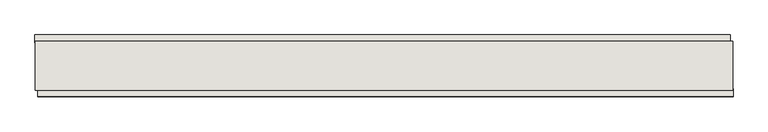
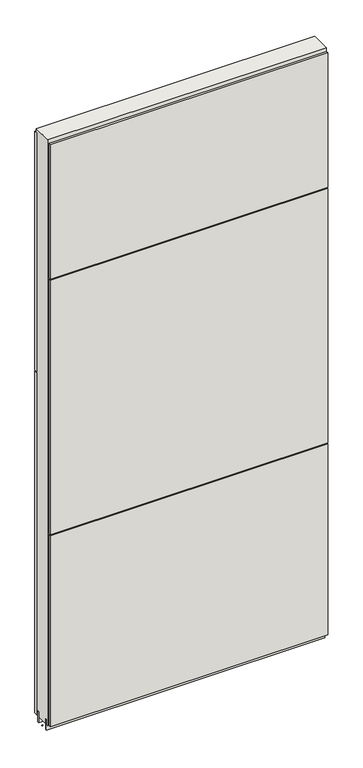
"""IFC4 building model written with IfcOpenShell, lengths in millimetres: wall geometry."""

from ifc_helpers import new_model, si_unit, frame, origin, place, context, project, spatial, polyline, outline, extrude, source, transform, mapped, element, save


def wall_d360cbdd(model_context):
    return source(origin(), model_context, "Body", "SweptSolid", [
        extrude(outline(polyline([(40511.7275108, -50694.3245954), (40509.1875108, -50694.3245954), (40509.1875108, -50691.7845954), (40511.7275108, -50691.7845954), (40511.7275108, -50694.3245954)])), frame((0.0, 0.0, 4419.6), z_axis=(0.0, 0.0, 1.0), x_axis=(1.0, 0.0, 0.0)), (0.0, 0.0, 1.0), 2.54),
        extrude(outline(polyline([(40508.7206969, -50642.2545954), (41656.6143879, -50642.2545954), (41656.6143879, -50654.9545954), (40508.7206969, -50654.9545954), (40508.7206969, -50642.2545954)])), frame((0.0, 0.0, 5945.599869), z_axis=(0.0, 0.0, 1.0), x_axis=(1.0, 0.0, 0.0)), (0.0, 0.0, 1.0), 1044.449905),
        extrude(outline(polyline([(40508.7206969, -50642.2545954), (41656.6143879, -50642.2545954), (41656.6143879, -50654.9545954), (40508.7206969, -50654.9545954), (40508.7206969, -50642.2545954)])), frame((0.0, 0.0, 4445.0), z_axis=(0.0, 0.0, 1.0), x_axis=(1.0, 0.0, 0.0)), (0.0, 0.0, 1.0), 1496.600004),
        extrude(outline(polyline([(41661.5443247, -50743.8545954), (40513.6506337, -50743.8545954), (40513.6506337, -50731.1545954), (41661.5443247, -50731.1545954), (41661.5443247, -50743.8545954)])), frame((0.0, 0.0, 6402.8000722), z_axis=(0.0, 0.0, 1.0), x_axis=(1.0, 0.0, 0.0)), (0.0, 0.0, 1.0), 587.2498034),
        extrude(outline(polyline([(41661.5443247, -50743.8545954), (40513.6506337, -50743.8545954), (40513.6506337, -50731.1545954), (41661.5443247, -50731.1545954), (41661.5443247, -50743.8545954)])), frame((0.0, 0.0, 5285.2000722), z_axis=(0.0, 0.0, 1.0), x_axis=(1.0, 0.0, 0.0)), (0.0, 0.0, 1.0), 1113.5999572),
        extrude(outline(polyline([(41661.5443247, -50743.8545954), (40513.6506337, -50743.8545954), (40513.6506337, -50731.1545954), (41661.5443247, -50731.1545954), (41661.5443247, -50743.8545954)])), frame((0.0, 0.0, 4445.0), z_axis=(0.0, 0.0, 1.0), x_axis=(1.0, 0.0, 0.0)), (0.0, 0.0, 1.0), 836.200004),
        extrude(outline(polyline([(41661.0787554, -50667.9708508), (40509.1893904, -50667.9708508), (40509.1893904, -50662.8920954), (41661.0787554, -50662.8920954), (41661.0787554, -50667.9708508)])), frame((0.0, 0.0, 4418.6602), z_axis=(0.0, 0.0, 1.0), x_axis=(1.0, 0.0, 0.0)), (0.0, 0.0, 1.0), 47.625),
        extrude(outline(polyline([(41661.0787554, -50667.9708508), (40509.1893904, -50667.9708508), (40509.1893904, -50662.8920954), (41661.0787554, -50662.8920954), (41661.0787554, -50667.9708508)])), frame((0.0, 0.0, 4418.6602), z_axis=(0.0, 0.0, 1.0), x_axis=(1.0, 0.0, 0.0)), (0.0, 0.0, 1.0), 47.625),
        extrude(outline(polyline([(40509.1893904, -50718.1352412), (41661.0787554, -50718.1352412), (41661.0787554, -50723.2170954), (40509.1893904, -50723.2170954), (40509.1893904, -50718.1352412)])), frame((0.0, 0.0, 4418.6602), z_axis=(0.0, 0.0, 1.0), x_axis=(1.0, 0.0, 0.0)), (0.0, 0.0, 1.0), 47.625),
        extrude(outline(polyline([(40509.1893904, -50718.1352412), (41661.0787554, -50718.1352412), (41661.0787554, -50723.2170954), (40509.1893904, -50723.2170954), (40509.1893904, -50718.1352412)])), frame((0.0, 0.0, 4418.6602), z_axis=(0.0, 0.0, 1.0), x_axis=(1.0, 0.0, 0.0)), (0.0, 0.0, 1.0), 47.625),
        extrude(outline(polyline([(41661.0787554, -50652.4245014), (41661.0787554, -50733.706381), (40509.1893904, -50733.706381), (40509.1893904, -50652.4245014), (41661.0787554, -50652.4245014)])), frame((0.0, 0.0, 4445.0), z_axis=(0.0, 0.0, 1.0), x_axis=(1.0, 0.0, 0.0)), (0.0, 0.0, 1.0), 2562.4536762),
    ])


if __name__ == "__main__":
    model = new_model("IFC4")
    model_context = context("Model", 3, world=origin())
    ifc_project = project(units=[si_unit("LENGTHUNIT", "METRE", prefix="MILLI")], contexts=[model_context])
    site = spatial("IfcSite", under=ifc_project)
    building = spatial("IfcBuilding", under=site)
    placement = place(None, origin())
    wall_shape = wall_d360cbdd(model_context)
    element("IfcWall", 1, at=placement, inside=building, context=model_context, shape_type="MappedRepresentation", body=[
        mapped(wall_shape, transform((0.0, 0.0, 0.0), x_axis=(1.0, 0.0, 0.0), y_axis=(0.0, 1.0, 0.0), z_axis=(0.0, 0.0, 1.0))),
    ])
    save(model, "model.ifc")
